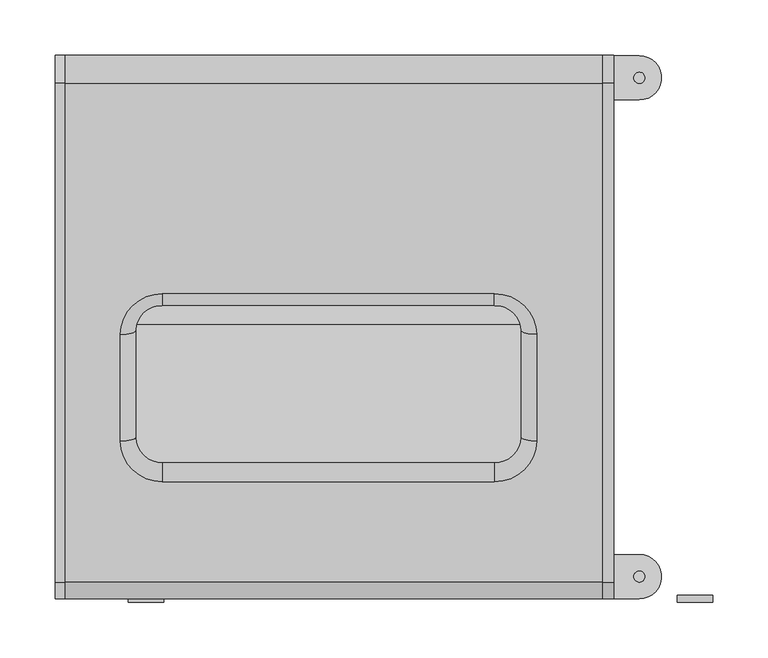
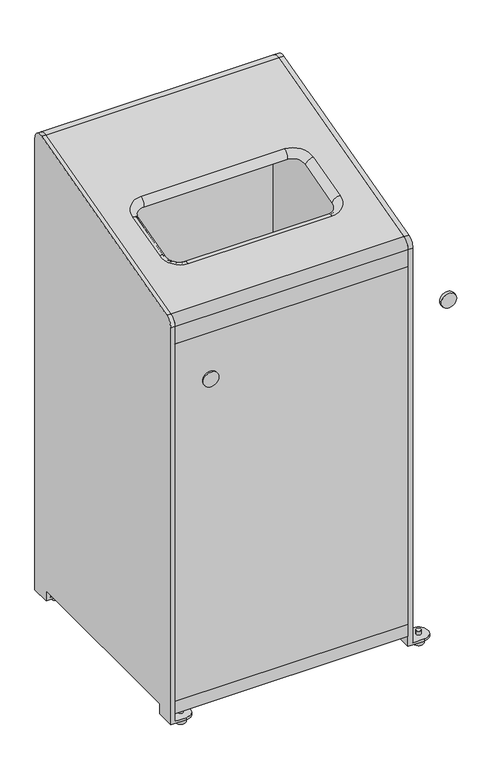
"""IFC4 building model written with IfcOpenShell, lengths in millimetres: furniture geometry."""

from ifc_helpers import new_model, si_unit, point, frame, frame_2d, origin, origin_with_axes, place, context, project, spatial, polyline, circle_curve, ellipse_curve, trimmed, segment, composite_curve, outline, extrude, source, transform, mapped, element, save
from ifc_brep_helpers import plane_surface, cylinder_surface, revolved_surface, advanced_brep


def furniture_6ccb5846(model_context):
    return source(origin(), model_context, "Body", "SolidModel", [
        advanced_brep(
        [(-220.0443151, 213.0, 20.0), (-220.0443151, 253.0, 20.0), (-243.2500194, 253.0, 20.0), (-243.2500194, 213.0, 20.0), (-220.0443151, -237.0, 20.0), (-220.0443151, -197.0, 20.0), (-243.2500194, -197.0, 20.0), (-243.2500194, -237.0, 20.0), (-220.0443151, 253.0, 15.0), (-220.0443151, 213.0, 15.0), (-251.7499806, 213.0, 15.0), (-251.7499806, 253.0, 15.0), (-220.0443151, -197.0, 15.0), (-220.0443151, -237.0, 15.0), (-251.7499806, -237.0, 15.0), (-251.7499806, -197.0, 15.0), (-243.2500194, 213.0, 37.0), (-251.7499806, 213.0, 37.0), (-251.7499806, 253.0, 1009.3032254), (-243.2500194, 253.0, 1009.3032254), (-243.2500194, -237.0, 888.7260888), (-251.7499806, -237.0, 888.7260888), (-251.7499806, -197.0, 37.0), (-243.2500194, -197.0, 37.0), (-243.2500194, 227.8236191, 1028.6217419), (-243.2500194, -222.1763809, 908.0446053), (-251.7499806, 227.8236191, 1028.6217419), (-251.7499806, -222.1763809, 908.0446053)],
        [
            (0, 1, circle_curve(frame((-220.0443151, 233.0, 20.0), z_axis=(0.0, 0.0, 1.0), x_axis=(1.0, 0.0, 0.0)), 20.0)),
            (1, 2),
            (2, 3),
            (3, 0),
            (4, 5, circle_curve(frame((-220.0443151, -217.0, 20.0), z_axis=(0.0, 0.0, 1.0), x_axis=(1.0, 0.0, 0.0)), 20.0)),
            (5, 6),
            (6, 7),
            (7, 4),
            (8, 9, circle_curve(frame((-220.0443151, 233.0, 15.0), z_axis=(0.0, 0.0, -1.0), x_axis=(1.0, 0.0, 0.0)), 20.0)),
            (9, 10),
            (10, 11),
            (11, 8),
            (12, 13, circle_curve(frame((-220.0443151, -217.0, 15.0), z_axis=(0.0, 0.0, -1.0), x_axis=(1.0, 0.0, 0.0)), 20.0)),
            (13, 14),
            (14, 15),
            (15, 12),
            (9, 0),
            (3, 16),
            (16, 17),
            (17, 10),
            (8, 1),
            (11, 18),
            (18, 19),
            (19, 2),
            (13, 4),
            (7, 20),
            (20, 21),
            (21, 14),
            (12, 5),
            (15, 22),
            (22, 23),
            (23, 6),
            (24, 25),
            (25, 20, circle_curve(frame((-243.2500194, -217.0, 888.7260888), z_axis=(1.0, 0.0, 0.0), x_axis=(0.0, -1.0, 0.0)), 20.0)),
            (23, 16),
            (19, 24, circle_curve(frame((-243.2500194, 233.0, 1009.3032254), z_axis=(1.0, 0.0, 0.0), x_axis=(0.0, -1.0, 0.0)), 20.0)),
            (26, 18, circle_curve(frame((-251.7499806, 233.0, 1009.3032254), z_axis=(-1.0, 0.0, 0.0), x_axis=(0.0, -1.0, 0.0)), 20.0)),
            (17, 22),
            (21, 27, circle_curve(frame((-251.7499806, -217.0, 888.7260888), z_axis=(-1.0, 0.0, 0.0), x_axis=(0.0, -1.0, 0.0)), 20.0)),
            (27, 26),
            (24, 26),
            (27, 25),
        ],
        [
            plane_surface(frame((-220.0, 213.0, 20.0), z_axis=(0.0, 0.0, 1.0), x_axis=(1.0, 0.0, 0.0))),
            plane_surface(frame((-220.0, 213.0, 15.0), z_axis=(0.0, 0.0, -1.0), x_axis=(-1.0, 0.0, 0.0))),
            plane_surface(frame((-244.0, 213.0, 20.0), z_axis=(0.0, -1.0, 0.0), x_axis=(0.0, 0.0, -1.0))),
            cylinder_surface(frame((-220.0443151, 233.0, 15.0), z_axis=(0.0, 0.0, 1.0), x_axis=(1.0, 0.0, 0.0)), 20.0),
            plane_surface(frame((-220.0443151, 253.0, 20.0), z_axis=(0.0, 1.0, 0.0), x_axis=(0.0, 0.0, -1.0))),
            plane_surface(frame((-244.0, -237.0, 20.0), z_axis=(0.0, -1.0, 0.0), x_axis=(0.0, 0.0, -1.0))),
            cylinder_surface(frame((-220.0443151, -217.0, 0.0), z_axis=(0.0, 0.0, 1.0), x_axis=(1.0, 0.0, 0.0)), 20.0),
            plane_surface(frame((-220.0443151, -197.0, 20.0), z_axis=(0.0, 1.0, 0.0), x_axis=(0.0, 0.0, -1.0))),
            plane_surface(frame((-243.2500194, -221.4351999, 908.2432041), z_axis=(1.0, 0.0, 0.0), x_axis=(0.0, -0.9659258262890698, -0.2588190451025153))),
            plane_surface(frame((-251.7499806, -221.4351999, 908.2432041), z_axis=(-1.0, 0.0, 0.0), x_axis=(0.0, 0.9659258262890698, 0.2588190451025153))),
            plane_surface(frame((-243.2500194, 227.8236191, 1028.6217419), z_axis=(0.0, -0.2588190451025153, 0.9659258262890698), x_axis=(-1.0, 0.0, 0.0))),
            cylinder_surface(frame((-251.7499806, -217.0, 888.7260888), z_axis=(1.0, 0.0, 0.0), x_axis=(0.0, -1.0, 0.0)), 20.0),
            plane_surface(frame((-243.2500194, -197.0, 37.0), z_axis=(0.0, 0.0, -1.0), x_axis=(-1.0, 0.0, 0.0))),
            cylinder_surface(frame((-251.7499806, 233.0, 1009.3032254), z_axis=(1.0, 0.0, 0.0), x_axis=(0.0, -1.0, 0.0)), 20.0),
        ],
        [
            (0, [[1, 2, 3, 4]]),
            (0, [[5, 6, 7, 8]]),
            (1, [[9, 10, 11, 12]]),
            (1, [[13, 14, 15, 16]]),
            (2, [[-10, 17, -4, 18, 19, 20]]),
            (3, [[-1, -17, -9, 21]]),
            (4, [[-21, -12, 22, 23, 24, -2]]),
            (5, [[-14, 25, -8, 26, 27, 28]]),
            (6, [[-5, -25, -13, 29]]),
            (7, [[-29, -16, 30, 31, 32, -6]]),
            (8, [[33, 34, -26, -7, -32, 35, -18, -3, -24, 36]]),
            (9, [[37, -22, -11, -20, 38, -30, -15, -28, 39, 40]]),
            (10, [[-33, 41, -40, 42]]),
            (11, [[-34, -42, -39, -27]]),
            (12, [[-35, -31, -38, -19]]),
            (13, [[-36, -23, -37, -41]]),
        ],
    ),
        advanced_brep(
        [(-243.2500194, -222.1763809, 908.0446053), (-243.2500194, 227.8236191, 1028.6217419), (-243.2500194, 253.0, 1009.3032254), (-243.2500194, 253.0, 850.9793809), (-243.2500194, 215.0, 850.9793809), (-243.2500194, 215.0, 852.9793809), (-243.2500194, 251.0, 852.9793809), (-243.2500194, 251.0, 1009.3032254), (-243.2500194, 228.3412572, 1026.6898902), (-243.2500194, -221.6587428, 906.1127537), (-243.2500194, -235.0, 888.7260888), (-243.2500194, -235.0, 852.9793809), (-243.2500194, -217.0, 852.9793809), (-243.2500194, -217.0, 850.9793809), (-243.2500194, -237.0, 850.9793809), (-243.2500194, -237.0, 888.7260888), (241.5000389, -222.1763809, 908.0446053), (241.5000389, -237.0, 888.7260888), (241.5000389, -237.0, 850.9793809), (241.5000389, -217.0, 850.9793809), (241.5000389, -217.0, 852.9793809), (241.5000389, -235.0, 852.9793809), (241.5000389, -235.0, 888.7260888), (241.5000389, -221.6587428, 906.1127537), (241.5000389, 228.3412572, 1026.6898902), (241.5000389, 251.0, 1009.3032254), (241.5000389, 251.0, 852.9793809), (241.5000389, 215.0, 852.9793809), (241.5000389, 215.0, 850.9793809), (241.5000389, 253.0, 850.9793809), (241.5000389, 253.0, 1009.3032254), (241.5000389, 227.8236191, 1028.6217419), (-155.2038081, 38.6776264, 975.8696736), (-193.3481342, 1.8330368, 965.9971955), (-193.3481342, -94.3182984, 940.2335229), (-155.1863053, -131.1797945, 930.3565148), (144.2040333, -131.1797945, 930.3565148), (182.3483593, -94.3352048, 940.2289928), (182.3483593, 1.8330368, 965.9971955), (144.2040333, 38.6776264, 975.8696736), (-193.1910214, 1.3153987, 967.9290472), (-155.2038081, 38.0082291, 977.7608614), (144.2040333, 38.0082291, 977.7608614), (182.1912466, 1.3153987, 967.9290472), (182.1912466, -94.8528429, 942.1608445), (144.2040333, -131.5456733, 932.3290302), (-155.1863053, -131.5456733, 932.3290302), (-193.1910214, -94.8359365, 942.1653746), (-179.3187118, 4.9390424, 954.4054248), (-155.2038081, 28.2322507, 960.6468212), (-155.2038081, 30.1635684, 961.1643162), (-181.318159, 4.9390424, 954.4054248), (-179.3187118, -91.2122928, 928.6417522), (-181.318159, -91.2122928, 928.6417522), (-155.1863053, -114.5224075, 922.3958258), (-155.1863053, -116.4537252, 921.8783308), (144.2040333, -114.5224075, 922.3958258), (144.2040333, -116.4537252, 921.8783308), (168.318937, -91.2291992, 928.6372221), (170.3183842, -91.2291992, 928.6372221), (168.318937, 4.9390424, 954.4054248), (170.3183842, 4.9390424, 954.4054248), (144.2040333, 28.2322507, 960.6468212), (144.2040333, 30.1635684, 961.1643162)],
        [
            (0, 1),
            (1, 2, circle_curve(frame((-243.2500194, 233.0, 1009.3032254), z_axis=(-1.0, 0.0, 0.0), x_axis=(0.0, -1.0, 0.0)), 20.0)),
            (2, 3),
            (3, 4),
            (4, 5),
            (5, 6),
            (6, 7),
            (7, 8, circle_curve(frame((-243.2500194, 233.0, 1009.3032254), z_axis=(1.0, 0.0, 0.0), x_axis=(0.0, -1.0, 0.0)), 18.0)),
            (8, 9),
            (9, 10, circle_curve(frame((-243.2500194, -217.0, 888.7260888), z_axis=(1.0, 0.0, 0.0), x_axis=(0.0, -1.0, 0.0)), 18.0)),
            (10, 11),
            (11, 12),
            (12, 13),
            (13, 14),
            (14, 15),
            (15, 0, circle_curve(frame((-243.2500194, -217.0, 888.7260888), z_axis=(-1.0, 0.0, 0.0), x_axis=(0.0, -1.0, 0.0)), 20.0)),
            (16, 17, circle_curve(frame((241.5000389, -217.0, 888.7260888), z_axis=(1.0, 0.0, 0.0), x_axis=(0.0, -1.0, 0.0)), 20.0)),
            (17, 18),
            (18, 19),
            (19, 20),
            (20, 21),
            (21, 22),
            (22, 23, circle_curve(frame((241.5000389, -217.0, 888.7260888), z_axis=(-1.0, 0.0, 0.0), x_axis=(0.0, -1.0, 0.0)), 18.0)),
            (23, 24),
            (24, 25, circle_curve(frame((241.5000389, 233.0, 1009.3032254), z_axis=(-1.0, 0.0, 0.0), x_axis=(0.0, -1.0, 0.0)), 18.0)),
            (25, 26),
            (26, 27),
            (27, 28),
            (28, 29),
            (29, 30),
            (30, 31, circle_curve(frame((241.5000389, 233.0, 1009.3032254), z_axis=(1.0, 0.0, 0.0), x_axis=(0.0, -1.0, 0.0)), 20.0)),
            (31, 16),
            (15, 17),
            (16, 0),
            (14, 18),
            (13, 19),
            (12, 20),
            (11, 21),
            (10, 22),
            (9, 23),
            (8, 24),
            (32, 33, circle_curve(frame((-155.2038081, 1.8330368, 965.9971955), z_axis=(0.0, -0.2588190451025025, 0.9659258262890732), x_axis=(0.0, 0.9659258262890732, 0.2588190451025025)), 38.1443261)),
            (33, 34),
            (34, 35, circle_curve(frame((-155.1863053, -94.3182984, 940.2335229), z_axis=(0.0, -0.2588190451025025, 0.9659258262890732), x_axis=(-1.0, 0.0, 0.0)), 38.1618289)),
            (35, 36),
            (36, 37, circle_curve(frame((144.2040333, -94.3352048, 940.2289928), z_axis=(0.0, -0.2588190451025025, 0.9659258262890732), x_axis=(0.0, -0.9659258262890732, -0.2588190451025025)), 38.1443261)),
            (37, 38),
            (38, 39, circle_curve(frame((144.2040333, 1.8330368, 965.9971955), z_axis=(0.0, -0.2588190451025025, 0.9659258262890732), x_axis=(1.0, 0.0, 0.0)), 38.1443261)),
            (39, 32),
            (7, 25),
            (6, 26),
            (5, 27),
            (4, 28),
            (3, 29),
            (2, 30),
            (1, 31),
            (40, 41, circle_curve(frame((-155.2038081, 1.3153987, 967.9290472), z_axis=(0.0, 0.2588190451025025, -0.9659258262890732), x_axis=(0.0, 0.9659258262890732, 0.2588190451025025)), 37.9872133)),
            (41, 42),
            (42, 43, circle_curve(frame((144.2040333, 1.3153987, 967.9290472), z_axis=(0.0, 0.2588190451025025, -0.9659258262890732), x_axis=(1.0, 0.0, 0.0)), 37.9872133)),
            (43, 44),
            (44, 45, circle_curve(frame((144.2040333, -94.8528429, 942.1608445), z_axis=(0.0, 0.2588190451025025, -0.9659258262890732), x_axis=(0.0, -0.9659258262890732, -0.2588190451025025)), 37.9872133)),
            (45, 46),
            (46, 47, circle_curve(frame((-155.1863053, -94.8359365, 942.1653746), z_axis=(0.0, 0.2588190451025025, -0.9659258262890732), x_axis=(-1.0, 0.0, 0.0)), 38.0047161)),
            (47, 40),
            (48, 49, circle_curve(frame((-155.2038081, 4.9390424, 954.4054248), z_axis=(0.0, 0.2588190451025025, -0.9659258262890732), x_axis=(0.0, 0.9659258262890732, 0.2588190451025025)), 24.1149037)),
            (49, 41, circle_curve(frame((-155.2038081, 41.5987993, 964.3606709), z_axis=(-1.0, 0.0, 0.0), x_axis=(0.0, -0.9659258262890732, -0.2588190451025025)), 13.8728981)),
            (40, 48, circle_curve(frame((-193.1910214, 4.9059689, 954.5288566), z_axis=(0.0, 0.9659258262890732, 0.2588190451025025), x_axis=(1.0, 0.0, 0.0)), 13.8728981)),
            (32, 50, circle_curve(frame((-155.2038081, 41.7912224, 964.2495754), z_axis=(1.0, 0.0, 0.0), x_axis=(0.0, -0.9659258262890732, -0.2588190451025025)), 12.0300109)),
            (50, 51, circle_curve(frame((-155.2038081, 4.9390424, 954.4054248), z_axis=(0.0, -0.2588190451025025, 0.9659258262890732), x_axis=(0.0, 0.9659258262890732, 0.2588190451025025)), 26.1143509)),
            (51, 33, circle_curve(frame((-193.3481342, 4.9466327, 954.3770973), z_axis=(0.0, -0.9659258262890732, -0.2588190451025025), x_axis=(1.0, 0.0, 0.0)), 12.0300109)),
            (47, 52, circle_curve(frame((-193.1910214, -91.2453662, 928.765184), z_axis=(0.0, 0.9659258262890732, 0.2588190451025025), x_axis=(1.0, 0.0, 0.0)), 13.8728981)),
            (52, 48),
            (51, 53),
            (53, 34, circle_curve(frame((-193.3481342, -91.2047024, 928.6134247), z_axis=(0.0, -0.9659258262890732, -0.2588190451025025), x_axis=(1.0, 0.0, 0.0)), 12.0300109)),
            (46, 54, circle_curve(frame((-155.1863053, -127.955103, 918.9288397), z_axis=(-1.0, 0.0, 0.0), x_axis=(0.0, 0.9659258262890732, 0.2588190451025025)), 13.8728981)),
            (54, 52, circle_curve(frame((-155.1863053, -91.2122928, 928.6417522), z_axis=(0.0, 0.2588190451025025, -0.9659258262890732), x_axis=(-1.0, 0.0, 0.0)), 24.1324065)),
            (53, 55, circle_curve(frame((-155.1863053, -91.2122928, 928.6417522), z_axis=(0.0, -0.2588190451025025, 0.9659258262890732), x_axis=(-1.0, 0.0, 0.0)), 26.1318537)),
            (55, 35, circle_curve(frame((-155.1863053, -128.0661985, 918.7364166), z_axis=(1.0, 0.0, 0.0), x_axis=(0.0, 0.9659258262890732, 0.2588190451025025)), 12.0300109)),
            (45, 56, circle_curve(frame((144.2040333, -127.955103, 918.9288397), z_axis=(-1.0, 0.0, 0.0), x_axis=(0.0, 0.9659258262890732, 0.2588190451025024)), 13.8728981)),
            (56, 54),
            (55, 57),
            (57, 36, circle_curve(frame((144.2040333, -128.0661985, 918.7364166), z_axis=(1.0, 0.0, 0.0), x_axis=(0.0, 0.9659258262890732, 0.2588190451025024)), 12.0300109)),
            (44, 58, circle_curve(frame((182.1912466, -91.2622726, 928.7606539), z_axis=(0.0, -0.9659258262890732, -0.2588190451025025), x_axis=(-1.0, 0.0, 0.0)), 13.8728981)),
            (58, 56, circle_curve(frame((144.2040333, -91.2291992, 928.6372221), z_axis=(0.0, 0.2588190451025025, -0.9659258262890732), x_axis=(0.0, -0.9659258262890732, -0.2588190451025025)), 24.1149037)),
            (57, 59, circle_curve(frame((144.2040333, -91.2291992, 928.6372221), z_axis=(0.0, -0.2588190451025025, 0.9659258262890732), x_axis=(0.0, -0.9659258262890732, -0.2588190451025025)), 26.1143509)),
            (59, 37, circle_curve(frame((182.3483593, -91.2216088, 928.6088947), z_axis=(0.0, 0.9659258262890732, 0.2588190451025025), x_axis=(-1.0, 0.0, 0.0)), 12.0300109)),
            (43, 60, circle_curve(frame((182.1912466, 4.9059689, 954.5288566), z_axis=(0.0, -0.9659258262890733, -0.25881904510250253), x_axis=(-1.0, 0.0, 0.0)), 13.8728981)),
            (60, 58),
            (59, 61),
            (61, 38, circle_curve(frame((182.3483593, 4.9466327, 954.3770973), z_axis=(0.0, 0.9659258262890733, 0.25881904510250253), x_axis=(-1.0, 0.0, 0.0)), 12.0300109)),
            (42, 62, circle_curve(frame((144.2040333, 41.5987993, 964.3606709), z_axis=(1.0, 0.0, 0.0), x_axis=(0.0, -0.9659258262890732, -0.25881904510250253)), 13.8728981)),
            (62, 60, circle_curve(frame((144.2040333, 4.9390424, 954.4054248), z_axis=(0.0, 0.2588190451025025, -0.9659258262890732), x_axis=(1.0, 0.0, 0.0)), 24.1149037)),
            (61, 63, circle_curve(frame((144.2040333, 4.9390424, 954.4054248), z_axis=(0.0, -0.2588190451025025, 0.9659258262890732), x_axis=(1.0, 0.0, 0.0)), 26.1143509)),
            (63, 39, circle_curve(frame((144.2040333, 41.7912224, 964.2495754), z_axis=(-1.0, 0.0, 0.0), x_axis=(0.0, -0.9659258262890732, -0.25881904510250253)), 12.0300109)),
            (49, 62),
            (63, 50),
        ],
        [
            plane_surface(frame((-243.2500194, 227.8236191, 1028.6217419), z_axis=(-1.0, 0.0, 0.0), x_axis=(0.0, 0.9659258262890696, 0.2588190451025156))),
            plane_surface(frame((241.5000389, 227.8236191, 1028.6217419), z_axis=(1.0, 0.0, 0.0), x_axis=(0.0, -0.9659258262890696, -0.2588190451025156))),
            cylinder_surface(frame((241.5000389, -217.0, 888.7260888), z_axis=(-1.0, 0.0, 0.0), x_axis=(0.0, -1.0, 0.0)), 20.0),
            plane_surface(frame((-243.2500194, -237.0, 850.9793809), z_axis=(0.0, -1.0, 0.0), x_axis=(1.0, 0.0, 0.0))),
            plane_surface(frame((-243.2500194, -217.0, 850.9793809), z_axis=(0.0, 0.0, -1.0), x_axis=(1.0, 0.0, 0.0))),
            plane_surface(frame((-243.2500194, -217.0, 852.9793809), z_axis=(0.0, 1.0, 0.0), x_axis=(1.0, 0.0, 0.0))),
            plane_surface(frame((-243.2500194, -235.0, 852.9793809), z_axis=(0.0, 0.0, 1.0), x_axis=(1.0, 0.0, 0.0))),
            plane_surface(frame((-243.2500194, -235.0, 888.7260888), z_axis=(0.0, 1.0, 0.0), x_axis=(1.0, 0.0, 0.0))),
            revolved_surface(polyline([(241.5000389, -235.0, 888.7260888), (-243.25001939999999, -235.0, 888.7260888)]), (241.5000389, -217.0, 888.7260888), (1.0, 0.0, 0.0)),
            plane_surface(frame((-243.2500194, 228.3412572, 1026.6898902), z_axis=(0.0, 0.25881904510251524, -0.9659258262890698), x_axis=(1.0, 0.0, 0.0))),
            revolved_surface(polyline([(241.5000389, 215.0, 1009.3032254), (-243.25001939999999, 215.0, 1009.3032254)]), (241.5000389, 233.0, 1009.3032254), (1.0, 0.0, 0.0)),
            plane_surface(frame((-243.2500194, 251.0, 852.9793809), z_axis=(0.0, -1.0, 0.0), x_axis=(1.0, 0.0, 0.0))),
            plane_surface(frame((-243.2500194, 215.0, 852.9793809), z_axis=(0.0, 0.0, 1.0), x_axis=(1.0, 0.0, 0.0))),
            plane_surface(frame((-243.2500194, 215.0, 850.9793809), z_axis=(0.0, -1.0, 0.0), x_axis=(1.0, 0.0, 0.0))),
            plane_surface(frame((-243.2500194, 253.0, 850.9793809), z_axis=(0.0, 0.0, -1.0), x_axis=(1.0, 0.0, 0.0))),
            plane_surface(frame((-243.2500194, 253.0, 1009.3032254), z_axis=(0.0, 1.0, 0.0), x_axis=(1.0, 0.0, 0.0))),
            cylinder_surface(frame((241.5000389, 233.0, 1009.3032254), z_axis=(-1.0, 0.0, 0.0), x_axis=(0.0, -1.0, 0.0)), 20.0),
            plane_surface(frame((-243.2500194, -222.1763809, 908.0446053), z_axis=(0.0, -0.2588190451025156, 0.9659258262890696), x_axis=(1.0, 0.0, 0.0))),
            revolved_surface(trimmed(ellipse_curve(frame((-155.2038081, 41.5987993, 964.3606709), z_axis=(1.0, 0.0, 0.0), x_axis=(0.0, -0.9659258262890732, -0.2588190451025025)), 13.8728981, 13.8728981), [point((-155.2038081, 38.0082291, 977.7608614))], [point((-155.2038081, 28.2322507, 960.6468212))], True, "CARTESIAN"), (-155.2038081, 234.2524876, 98.5959962), (0.0, -0.2588190451025025, 0.9659258262890732)),
            revolved_surface(trimmed(ellipse_curve(frame((-155.2038081, 41.7912224, 964.2495754), z_axis=(-1.0, 0.0, 0.0), x_axis=(0.0, -0.9659258262890732, -0.2588190451025025)), 12.0300109, 12.0300109), [point((-155.2038081, 30.1635684, 961.1643162))], [point((-155.2038081, 38.6776264, 975.8696736))], True, "CARTESIAN"), (-155.2038081, 234.2524876, 98.5959962), (0.0, -0.2588190451025025, 0.9659258262890732)),
            cylinder_surface(frame((-193.1910214, 4.9059689, 954.5288566), z_axis=(0.0, 0.9659258262890732, 0.2588190451025025), x_axis=(1.0, 0.0, 0.0)), 13.8728981),
            revolved_surface(polyline([(-181.3181233, -91.20470246875668, 928.6134246903594), (-181.3181233, 4.946632728688838, 954.3770973076871)]), (-193.3481342, 4.9466327, 954.3770973), (0.0, -0.9659258262890732, -0.2588190451025025)),
            revolved_surface(trimmed(ellipse_curve(frame((-193.1910214, -91.2453662, 928.765184), z_axis=(0.0, 0.9659258262890732, 0.2588190451025025), x_axis=(1.0, 0.0, 0.0)), 13.8728981, 13.8728981), [point((-193.1910214, -94.8359365, 942.1653746))], [point((-179.3187118, -91.2122928, 928.6417522))], True, "CARTESIAN"), (-155.1863053, 138.1011525, 72.8323236), (0.0, -0.2588190451025025, 0.9659258262890732)),
            revolved_surface(trimmed(ellipse_curve(frame((-193.3481342, -91.2047024, 928.6134247), z_axis=(0.0, -0.9659258262890732, -0.2588190451025025), x_axis=(1.0, 0.0, 0.0)), 12.0300109, 12.0300109), [point((-181.318159, -91.2122928, 928.6417522))], [point((-193.3481342, -94.3182984, 940.2335229))], True, "CARTESIAN"), (-155.1863053, 138.1011525, 72.8323236), (0.0, -0.2588190451025025, 0.9659258262890732)),
            cylinder_surface(frame((-155.1863053, -127.955103, 918.9288397), z_axis=(-1.0, 0.0, 0.0), x_axis=(0.0, 0.9659258262890732, 0.2588190451025024)), 13.8728981),
            revolved_surface(polyline([(144.20403329999996, -116.44610028115096, 921.8500125337107), (-155.1863053, -116.44610028115096, 921.8500125337107)]), (-155.1863053, -128.0661985, 918.7364166), (1.0, 0.0, 0.0)),
            revolved_surface(trimmed(ellipse_curve(frame((144.2040333, -127.955103, 918.9288397), z_axis=(-1.0, 0.0, 0.0), x_axis=(0.0, 0.9659258262890732, 0.2588190451025024)), 13.8728981, 13.8728981), [point((144.2040333, -131.5456733, 932.3290302))], [point((144.2040333, -114.5224075, 922.3958258))], True, "CARTESIAN"), (144.2040333, 138.0842461, 72.8277935), (0.0, -0.2588190451025025, 0.9659258262890732)),
            revolved_surface(trimmed(ellipse_curve(frame((144.2040333, -128.0661985, 918.7364166), z_axis=(1.0, 0.0, 0.0), x_axis=(0.0, 0.9659258262890732, 0.2588190451025024)), 12.0300109, 12.0300109), [point((144.2040333, -116.4537252, 921.8783308))], [point((144.2040333, -131.1797945, 930.3565148))], True, "CARTESIAN"), (144.2040333, 138.0842461, 72.8277935), (0.0, -0.2588190451025025, 0.9659258262890732)),
            cylinder_surface(frame((182.1912466, -91.2622726, 928.7606539), z_axis=(0.0, -0.9659258262890733, -0.25881904510250253), x_axis=(-1.0, 0.0, 0.0)), 13.8728981),
            revolved_surface(polyline([(170.3183484, 4.946632716827807, 954.3770973519531), (170.3183484, -91.221608891561, 928.6088946754662)]), (182.3483593, -91.2216088, 928.6088947), (0.0, 0.9659258262890733, 0.25881904510250253)),
            revolved_surface(trimmed(ellipse_curve(frame((182.1912466, 4.9059689, 954.5288566), z_axis=(0.0, -0.9659258262890732, -0.2588190451025025), x_axis=(-1.0, 0.0, 0.0)), 13.8728981, 13.8728981), [point((182.1912466, 1.3153987, 967.9290472))], [point((168.318937, 4.9390424, 954.4054248))], True, "CARTESIAN"), (144.2040333, 234.2524876, 98.5959962), (0.0, -0.2588190451025025, 0.9659258262890732)),
            revolved_surface(trimmed(ellipse_curve(frame((182.3483593, 4.9466327, 954.3770973), z_axis=(0.0, 0.9659258262890732, 0.2588190451025025), x_axis=(-1.0, 0.0, 0.0)), 12.0300109, 12.0300109), [point((170.3183842, 4.9390424, 954.4054248))], [point((182.3483593, 1.8330368, 965.9971955))], True, "CARTESIAN"), (144.2040333, 234.2524876, 98.5959962), (0.0, -0.2588190451025025, 0.9659258262890732)),
            cylinder_surface(frame((144.2040333, 41.5987993, 964.3606709), z_axis=(1.0000000000000002, 0.0, 0.0), x_axis=(0.0, -0.9659258262890732, -0.25881904510250253)), 13.8728981),
            revolved_surface(polyline([(-155.20380810000012, 30.171124181150944, 961.1359794662893), (144.2040333, 30.171124181150944, 961.1359794662893)]), (144.2040333, 41.7912224, 964.2495754), (-1.0000000000000002, 0.0, 0.0)),
            plane_surface(frame((144.2040333, 28.2322507, 960.6468212), z_axis=(0.0, 0.25881904510250253, -0.9659258262890732), x_axis=(-1.0, 0.0, 0.0))),
        ],
        [
            (0, [[1, 2, 3, 4, 5, 6, 7, 8, 9, 10, 11, 12, 13, 14, 15, 16]]),
            (1, [[17, 18, 19, 20, 21, 22, 23, 24, 25, 26, 27, 28, 29, 30, 31, 32]]),
            (2, [[-16, 33, -17, 34]]),
            (3, [[-15, 35, -18, -33]]),
            (4, [[-14, 36, -19, -35]]),
            (5, [[-13, 37, -20, -36]]),
            (6, [[-12, 38, -21, -37]]),
            (7, [[-11, 39, -22, -38]]),
            (8, [[-10, 40, -23, -39]]),
            (9, [[-9, 41, -24, -40], [42, 43, 44, 45, 46, 47, 48, 49]]),
            (10, [[-8, 50, -25, -41]]),
            (11, [[-7, 51, -26, -50]]),
            (12, [[-6, 52, -27, -51]]),
            (13, [[-5, 53, -28, -52]]),
            (14, [[-4, 54, -29, -53]]),
            (15, [[-3, 55, -30, -54]]),
            (16, [[-2, 56, -31, -55]]),
            (17, [[-1, -34, -32, -56], [57, 58, 59, 60, 61, 62, 63, 64]]),
            (18, [[65, 66, -57, 67]]),
            (19, [[-42, 68, 69, 70]]),
            (20, [[-67, -64, 71, 72]]),
            (21, [[-70, 73, 74, -43]]),
            (22, [[-71, -63, 75, 76]]),
            (23, [[-74, 77, 78, -44]]),
            (24, [[-75, -62, 79, 80]]),
            (25, [[-78, 81, 82, -45]]),
            (26, [[-79, -61, 83, 84]]),
            (27, [[-82, 85, 86, -46]]),
            (28, [[-83, -60, 87, 88]]),
            (29, [[-86, 89, 90, -47]]),
            (30, [[-87, -59, 91, 92]]),
            (31, [[-90, 93, 94, -48]]),
            (32, [[-66, 95, -91, -58]]),
            (33, [[-68, -49, -94, 96]]),
            (34, [[-69, -96, -93, -89, -85, -81, -77, -73], [-65, -72, -76, -80, -84, -88, -92, -95]]),
        ],
    ),
        extrude(outline(composite_curve([segment(trimmed(circle_curve(frame_2d((749.0, -170.0)), 16.0), [point((749.0, -186.0))], [point((749.0, -154.0))], False, "CARTESIAN"), True, "CONTINUOUS"), segment(trimmed(circle_curve(frame_2d((749.0, -170.0)), 16.0), [point((749.0, -154.0))], [point((749.0, -186.0))], False, "CARTESIAN"), True, "CONTINUOUS")], self_intersect=False)), frame((0.0, -240.0000534, 0.0), z_axis=(0.0, 1.0, 0.0), x_axis=(0.0, 0.0, 1.0)), (0.0, 0.0, 1.0), 6.0000534),
        extrude(outline(composite_curve([segment(trimmed(circle_curve(frame_2d((-220.0, 233.0)), 5.0), [point((-225.0, 233.0))], [point((-215.0, 233.0))], False, "CARTESIAN"), True, "CONTINUOUS"), segment(trimmed(circle_curve(frame_2d((-220.0, 233.0)), 5.0), [point((-215.0, 233.0))], [point((-225.0, 233.0))], False, "CARTESIAN"), True, "CONTINUOUS")], self_intersect=False)), frame((0.0, 0.0, 10.0), z_axis=(0.0, 0.0, 1.0), x_axis=(1.0, 0.0, 0.0)), (0.0, 0.0, 1.0), 18.0284098),
        extrude(outline(composite_curve([segment(trimmed(circle_curve(frame_2d((-220.0, -217.0)), 5.0), [point((-225.0, -217.0))], [point((-215.0, -217.0))], False, "CARTESIAN"), True, "CONTINUOUS"), segment(trimmed(circle_curve(frame_2d((-220.0, -217.0)), 5.0), [point((-215.0, -217.0))], [point((-225.0, -217.0))], False, "CARTESIAN"), True, "CONTINUOUS")], self_intersect=False)), frame((0.0, 0.0, 10.0), z_axis=(0.0, 0.0, 1.0), x_axis=(1.0, 0.0, 0.0)), (0.0, 0.0, 1.0), 18.0284098),
        extrude(outline(composite_curve([segment(trimmed(circle_curve(frame_2d((-220.0, -217.0)), 10.0), [point((-230.0, -217.0))], [point((-210.0, -217.0))], False, "CARTESIAN"), True, "CONTINUOUS"), segment(trimmed(circle_curve(frame_2d((-220.0, -217.0)), 10.0), [point((-210.0, -217.0))], [point((-230.0, -217.0))], False, "CARTESIAN"), True, "CONTINUOUS")], self_intersect=False)), origin_with_axes(), (0.0, 0.0, 1.0), 10.0),
        extrude(outline(composite_curve([segment(trimmed(circle_curve(frame_2d((-220.0, 233.0)), 10.0), [point((-230.0, 233.0))], [point((-210.0, 233.0))], False, "CARTESIAN"), True, "CONTINUOUS"), segment(trimmed(circle_curve(frame_2d((-220.0, 233.0)), 10.0), [point((-210.0, 233.0))], [point((-230.0, 233.0))], False, "CARTESIAN"), True, "CONTINUOUS")], self_intersect=False)), origin_with_axes(), (0.0, 0.0, 1.0), 10.0),
        extrude(outline(polyline([(250.0, 67.0), (250.0, 847.9793809), (215.0, 847.9793809), (215.0, 850.9793809), (253.0, 850.9793809), (253.0, 64.0), (6.4200832, 64.0), (-234.0, 64.0), (-234.0, 37.0), (-237.0, 37.0), (-237.0, 64.0), (-237.0, 850.9793809), (-217.0, 850.9793809), (-217.0, 847.9793809), (-234.0, 847.9793809), (-234.0, 67.0), (10.7967628, 67.0), (250.0, 67.0)])), frame((-243.2500194, 0.0, 0.0), z_axis=(1.0, 0.0, 0.0), x_axis=(0.0, 1.0, 0.0)), (0.0, 0.0, 1.0), 484.7500583),
        extrude(outline(composite_curve([segment(trimmed(circle_curve(frame_2d((749.0, 325.0)), 16.0), [point((749.0, 309.0))], [point((749.0, 341.0))], False, "CARTESIAN"), True, "CONTINUOUS"), segment(trimmed(circle_curve(frame_2d((749.0, 325.0)), 16.0), [point((749.0, 341.0))], [point((749.0, 309.0))], False, "CARTESIAN"), True, "CONTINUOUS")], self_intersect=False)), frame((0.0, -240.0000534, 0.0), z_axis=(0.0, 1.0, 0.0), x_axis=(0.0, 0.0, 1.0)), (0.0, 0.0, 1.0), 6.0000534),
        advanced_brep(
        [(241.5000389, 227.8236191, 1028.6217419), (241.5000389, 253.0, 1009.3032254), (241.5000389, 253.0, 15.0), (241.5000389, 213.0, 15.0), (241.5000389, 213.0, 37.0), (241.5000389, -197.0, 37.0), (241.5000389, -197.0, 15.0), (241.5000389, -237.0, 15.0), (241.5000389, -237.0, 888.7260888), (241.5000389, -222.1763809, 908.0446053), (251.7499806, 227.8236191, 1028.6217419), (251.7499806, -222.1763809, 908.0446053), (251.7499806, -237.0, 888.7260888), (251.7499806, -237.0, 20.0), (251.7499806, -197.0, 20.0), (251.7499806, -197.0, 37.0), (251.7499806, 213.0, 37.0), (251.7499806, 213.0, 20.0), (251.7499806, 253.0, 20.0), (251.7499806, 253.0, 1009.3032254), (274.9556849, -237.0, 15.0), (274.9556849, -237.0, 20.0), (274.9556849, 253.0, 15.0), (274.9556849, 213.0, 15.0), (270.0, 233.0, 15.0), (280.0, 233.0, 15.0), (274.9556849, -197.0, 15.0), (270.0, -217.0, 15.0), (280.0, -217.0, 15.0), (274.9556849, -197.0, 20.0), (274.9556849, 213.0, 20.0), (274.9556849, 253.0, 20.0), (280.0, 233.0, 20.0), (270.0, 233.0, 20.0), (280.0, -217.0, 20.0), (270.0, -217.0, 20.0), (270.0, 233.0, 28.0284098), (280.0, 233.0, 28.0284098), (270.0, -217.0, 28.0284098), (280.0, -217.0, 28.0284098), (270.0, 233.0, 10.0), (280.0, 233.0, 10.0), (270.0, -217.0, 10.0), (280.0, -217.0, 10.0), (265.0, -217.0, 10.0), (285.0, -217.0, 10.0), (265.0, 233.0, 10.0), (285.0, 233.0, 10.0), (265.0, -217.0, 0.0), (285.0, -217.0, 0.0), (265.0, 233.0, 0.0), (285.0, 233.0, 0.0)],
        [
            (0, 1, circle_curve(frame((241.5000389, 233.0, 1009.3032254), z_axis=(-1.0, 0.0, 0.0), x_axis=(0.0, -1.0, 0.0)), 20.0)),
            (1, 2),
            (2, 3),
            (3, 4),
            (4, 5),
            (5, 6),
            (6, 7),
            (7, 8),
            (8, 9, circle_curve(frame((241.5000389, -217.0, 888.7260888), z_axis=(-1.0, 0.0, 0.0), x_axis=(0.0, -1.0, 0.0)), 20.0)),
            (9, 0),
            (10, 11),
            (11, 12, circle_curve(frame((251.7499806, -217.0, 888.7260888), z_axis=(1.0, 0.0, 0.0), x_axis=(0.0, -1.0, 0.0)), 20.0)),
            (12, 13),
            (13, 14),
            (14, 15),
            (15, 16),
            (16, 17),
            (17, 18),
            (18, 19),
            (19, 10, circle_curve(frame((251.7499806, 233.0, 1009.3032254), z_axis=(1.0, 0.0, 0.0), x_axis=(0.0, -1.0, 0.0)), 20.0)),
            (9, 11),
            (10, 0),
            (8, 12),
            (7, 20),
            (20, 21),
            (21, 13),
            (2, 22),
            (22, 23, circle_curve(frame((274.9556849, 233.0, 15.0), z_axis=(0.0, 0.0, -1.0), x_axis=(1.0, 0.0, 0.0)), 20.0)),
            (23, 3),
            (24, 25, circle_curve(frame((275.0, 233.0, 15.0), z_axis=(0.0, 0.0, 1.0), x_axis=(1.0, 0.0, 0.0)), 5.0)),
            (25, 24, circle_curve(frame((275.0, 233.0, 15.0), z_axis=(0.0, 0.0, 1.0), x_axis=(1.0, 0.0, 0.0)), 5.0)),
            (6, 26),
            (26, 20, circle_curve(frame((274.9556849, -217.0, 15.0), z_axis=(0.0, 0.0, -1.0), x_axis=(1.0, 0.0, 0.0)), 20.0)),
            (27, 28, circle_curve(frame((275.0, -217.0, 15.0), z_axis=(0.0, 0.0, 1.0), x_axis=(1.0, 0.0, 0.0)), 5.0)),
            (28, 27, circle_curve(frame((275.0, -217.0, 15.0), z_axis=(0.0, 0.0, 1.0), x_axis=(1.0, 0.0, 0.0)), 5.0)),
            (5, 15),
            (14, 29),
            (29, 26),
            (4, 16),
            (23, 30),
            (30, 17),
            (1, 19),
            (18, 31),
            (31, 22),
            (30, 31, circle_curve(frame((274.9556849, 233.0, 20.0), z_axis=(0.0, 0.0, 1.0), x_axis=(1.0, 0.0, 0.0)), 20.0)),
            (32, 33, circle_curve(frame((275.0, 233.0, 20.0), z_axis=(0.0, 0.0, -1.0), x_axis=(1.0, 0.0, 0.0)), 5.0)),
            (33, 32, circle_curve(frame((275.0, 233.0, 20.0), z_axis=(0.0, 0.0, -1.0), x_axis=(1.0, 0.0, 0.0)), 5.0)),
            (21, 29, circle_curve(frame((274.9556849, -217.0, 20.0), z_axis=(0.0, 0.0, 1.0), x_axis=(1.0, 0.0, 0.0)), 20.0)),
            (34, 35, circle_curve(frame((275.0, -217.0, 20.0), z_axis=(0.0, 0.0, -1.0), x_axis=(1.0, 0.0, 0.0)), 5.0)),
            (35, 34, circle_curve(frame((275.0, -217.0, 20.0), z_axis=(0.0, 0.0, -1.0), x_axis=(1.0, 0.0, 0.0)), 5.0)),
            (36, 37, circle_curve(frame((275.0, 233.0, 28.0284098), z_axis=(0.0, 0.0, 1.0), x_axis=(1.0, 0.0, 0.0)), 5.0)),
            (37, 36, circle_curve(frame((275.0, 233.0, 28.0284098), z_axis=(0.0, 0.0, 1.0), x_axis=(1.0, 0.0, 0.0)), 5.0)),
            (38, 39, circle_curve(frame((275.0, -217.0, 28.0284098), z_axis=(0.0, 0.0, 1.0), x_axis=(1.0, 0.0, 0.0)), 5.0)),
            (39, 38, circle_curve(frame((275.0, -217.0, 28.0284098), z_axis=(0.0, 0.0, 1.0), x_axis=(1.0, 0.0, 0.0)), 5.0)),
            (36, 33),
            (32, 37),
            (24, 40),
            (40, 41, circle_curve(frame((275.0, 233.0, 10.0), z_axis=(0.0, 0.0, 1.0), x_axis=(1.0, 0.0, 0.0)), 5.0)),
            (41, 25),
            (41, 40, circle_curve(frame((275.0, 233.0, 10.0), z_axis=(0.0, 0.0, 1.0), x_axis=(1.0, 0.0, 0.0)), 5.0)),
            (38, 35),
            (34, 39),
            (27, 42),
            (42, 43, circle_curve(frame((275.0, -217.0, 10.0), z_axis=(0.0, 0.0, 1.0), x_axis=(1.0, 0.0, 0.0)), 5.0)),
            (43, 28),
            (43, 42, circle_curve(frame((275.0, -217.0, 10.0), z_axis=(0.0, 0.0, 1.0), x_axis=(1.0, 0.0, 0.0)), 5.0)),
            (44, 45, circle_curve(frame((275.0, -217.0, 10.0), z_axis=(0.0, 0.0, 1.0), x_axis=(1.0, 0.0, 0.0)), 10.0)),
            (45, 44, circle_curve(frame((275.0, -217.0, 10.0), z_axis=(0.0, 0.0, 1.0), x_axis=(1.0, 0.0, 0.0)), 10.0)),
            (46, 47, circle_curve(frame((275.0, 233.0, 10.0), z_axis=(0.0, 0.0, 1.0), x_axis=(1.0, 0.0, 0.0)), 10.0)),
            (47, 46, circle_curve(frame((275.0, 233.0, 10.0), z_axis=(0.0, 0.0, 1.0), x_axis=(1.0, 0.0, 0.0)), 10.0)),
            (48, 49, circle_curve(frame((275.0, -217.0, 0.0), z_axis=(0.0, 0.0, -1.0), x_axis=(1.0, 0.0, 0.0)), 10.0)),
            (49, 48, circle_curve(frame((275.0, -217.0, 0.0), z_axis=(0.0, 0.0, -1.0), x_axis=(1.0, 0.0, 0.0)), 10.0)),
            (50, 51, circle_curve(frame((275.0, 233.0, 0.0), z_axis=(0.0, 0.0, -1.0), x_axis=(1.0, 0.0, 0.0)), 10.0)),
            (51, 50, circle_curve(frame((275.0, 233.0, 0.0), z_axis=(0.0, 0.0, -1.0), x_axis=(1.0, 0.0, 0.0)), 10.0)),
            (44, 48),
            (49, 45),
            (46, 50),
            (51, 47),
        ],
        [
            plane_surface(frame((241.5000389, 213.0, 1009.3032254), z_axis=(-1.0, 0.0, 0.0), x_axis=(0.0, 0.0, 1.0))),
            plane_surface(frame((251.7499806, 213.0, 1009.3032254), z_axis=(1.0, 0.0, 0.0), x_axis=(0.0, 0.0, -1.0))),
            plane_surface(frame((241.5000389, -222.1763809, 908.0446053), z_axis=(0.0, -0.2588190451025153, 0.9659258262890698), x_axis=(1.0, 0.0, 0.0))),
            cylinder_surface(frame((251.7499806, -217.0, 888.7260888), z_axis=(-1.0, 0.0, 0.0), x_axis=(0.0, -1.0, 0.0)), 20.0),
            plane_surface(frame((241.5000389, -237.0, 15.0), z_axis=(0.0, -1.0, 0.0), x_axis=(1.0, 0.0, 0.0))),
            plane_surface(frame((241.5000389, -197.0, 15.0), z_axis=(0.0, 0.0, -1.0), x_axis=(1.0, 0.0, 0.0))),
            plane_surface(frame((241.5000389, -197.0, 37.0), z_axis=(0.0, 1.0, 0.0), x_axis=(1.0, 0.0, 0.0))),
            plane_surface(frame((241.5000389, 213.0, 37.0), z_axis=(0.0, 0.0, -1.0), x_axis=(1.0, 0.0, 0.0))),
            plane_surface(frame((241.5000389, 213.0, 15.0), z_axis=(0.0, -1.0, 0.0), x_axis=(1.0, 0.0, 0.0))),
            plane_surface(frame((241.5000389, 253.0, 1009.3032254), z_axis=(0.0, 1.0, 0.0), x_axis=(1.0, 0.0, 0.0))),
            cylinder_surface(frame((251.7499806, 233.0, 1009.3032254), z_axis=(-1.0, 0.0, 0.0), x_axis=(0.0, -1.0, 0.0)), 20.0),
            plane_surface(frame((275.0, 213.0, 20.0), z_axis=(0.0, 0.0, 1.0), x_axis=(1.0, 0.0, 0.0))),
            cylinder_surface(frame((274.9556849, 233.0, 15.0), z_axis=(0.0, 0.0, 1.0), x_axis=(1.0, 0.0, 0.0)), 20.0),
            cylinder_surface(frame((274.9556849, -217.0, 0.0), z_axis=(0.0, 0.0, 1.0), x_axis=(1.0, 0.0, 0.0)), 20.0),
            plane_surface(frame((280.0, 233.0, 28.0284098), z_axis=(0.0, 0.0, 1.0), x_axis=(0.0, 1.0, 0.0))),
            cylinder_surface(frame((275.0, 233.0, 10.0), z_axis=(0.0, 0.0, 1.0), x_axis=(1.0, 0.0, 0.0)), 5.0),
            cylinder_surface(frame((275.0, -217.0, 0.0), z_axis=(0.0, 0.0, 1.0), x_axis=(1.0, 0.0, 0.0)), 5.0),
            plane_surface(frame((285.0, -217.0, 10.0), z_axis=(0.0, 0.0, 1.0), x_axis=(0.0, 1.0, 0.0))),
            plane_surface(frame((285.0, -217.0, 0.0), z_axis=(0.0, 0.0, -1.0), x_axis=(0.0, -1.0, 0.0))),
            cylinder_surface(frame((275.0, -217.0, 0.0), z_axis=(0.0, 0.0, 1.0), x_axis=(1.0, 0.0, 0.0)), 10.0),
            cylinder_surface(frame((275.0, 233.0, 0.0), z_axis=(0.0, 0.0, 1.0), x_axis=(1.0, 0.0, 0.0)), 10.0),
        ],
        [
            (0, [[1, 2, 3, 4, 5, 6, 7, 8, 9, 10]]),
            (1, [[11, 12, 13, 14, 15, 16, 17, 18, 19, 20]]),
            (2, [[-10, 21, -11, 22]]),
            (3, [[-9, 23, -12, -21]]),
            (4, [[-8, 24, 25, 26, -13, -23]]),
            (5, [[-3, 27, 28, 29], [30, 31]]),
            (5, [[-7, 32, 33, -24], [34, 35]]),
            (6, [[-6, 36, -15, 37, 38, -32]]),
            (7, [[-5, 39, -16, -36]]),
            (8, [[-4, -29, 40, 41, -17, -39]]),
            (9, [[-2, 42, -19, 43, 44, -27]]),
            (10, [[-1, -22, -20, -42]]),
            (11, [[45, -43, -18, -41], [46, 47]]),
            (11, [[48, -37, -14, -26], [49, 50]]),
            (12, [[-45, -40, -28, -44]]),
            (13, [[-48, -25, -33, -38]]),
            (14, [[51, 52]]),
            (14, [[53, 54]]),
            (15, [[-51, 55, -46, 56]]),
            (15, [[57, 58, 59, -30]]),
            (15, [[-52, -56, -47, -55]]),
            (15, [[-57, -31, -59, 60]]),
            (16, [[-53, 61, -49, 62]]),
            (16, [[63, 64, 65, -34]]),
            (16, [[-54, -62, -50, -61]]),
            (16, [[-63, -35, -65, 66]]),
            (17, [[67, 68], [-64, -66]]),
            (17, [[69, 70], [-58, -60]]),
            (18, [[71, 72]]),
            (18, [[73, 74]]),
            (19, [[-67, 75, -72, 76]]),
            (19, [[-68, -76, -71, -75]]),
            (20, [[-69, 77, -74, 78]]),
            (20, [[-70, -78, -73, -77]]),
        ],
    ),
    ])


if __name__ == "__main__":
    model = new_model("IFC4")
    model_context = context("Model", 3, world=origin())
    ifc_project = project(units=[si_unit("LENGTHUNIT", "METRE", prefix="MILLI")], contexts=[model_context])
    site = spatial("IfcSite", under=ifc_project)
    building = spatial("IfcBuilding", under=site)
    placement = place(None, origin())
    furniture_shape = furniture_6ccb5846(model_context)
    element("IfcFurniture", 1, at=placement, inside=building, context=model_context, shape_type="MappedRepresentation", body=[
        mapped(furniture_shape, transform((0.0, 0.0, 0.0), x_axis=(1.0, 0.0, 0.0), y_axis=(0.0, 1.0, 0.0), z_axis=(0.0, 0.0, 1.0))),
    ])
    save(model, "model.ifc")
